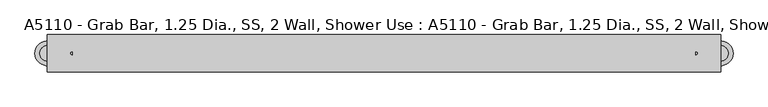
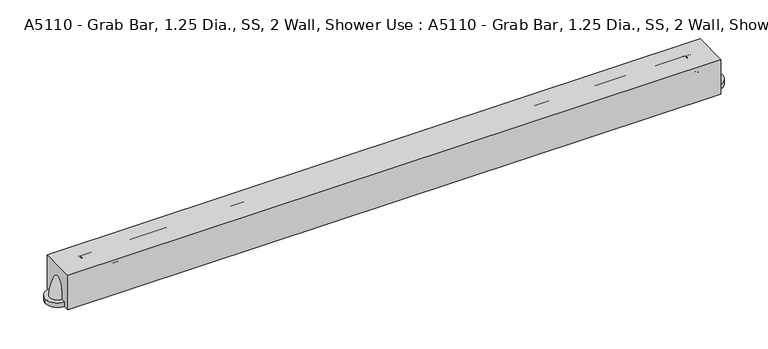
"""IFC4 building model written with IfcOpenShell, lengths in millimetres: proxy geometry, A5110 - Grab Bar, 1.25 Dia., SS, 2 Wall, Shower Use : A5110 - Grab Bar, 1.25 Dia., SS, 2 Wall, Shower Use."""

from ifc_helpers import new_model, si_unit, point, frame, frame_2d, origin, origin_with_axes, place, context, project, spatial, polyline, circle_curve, ellipse_curve, trimmed, segment, composite_curve, outline, extrude, source, transform, mapped, element, save
from ifc_brep_helpers import plane_surface, revolved_surface, advanced_brep


def a5110_grab_bar_1_25_dia_ss_2_wall_shower_use_a5110_grab_bar_b256876f(model_context):
    return source(origin(), model_context, "Body", "SolidModel", [
        advanced_brep(
        [(635.0, 15.875, 60.325), (635.0, -15.875, 60.325), (685.8, 15.875, 9.525), (685.8, -15.875, 9.525)],
        [
            (0, 1, circle_curve(frame((635.0, 0.0, 60.325), z_axis=(-1.0, 0.0, 0.0), x_axis=(0.0, -1.0, 0.0)), 15.875)),
            (1, 0, circle_curve(frame((635.0, 0.0, 60.325), z_axis=(-1.0, 0.0, 0.0), x_axis=(0.0, -1.0, 0.0)), 15.875)),
            (2, 3, circle_curve(frame((685.8, 0.0, 9.525), z_axis=(0.0, 0.0, -1.0), x_axis=(0.0, -1.0, 0.0)), 15.875)),
            (3, 2, circle_curve(frame((685.8, 0.0, 9.525), z_axis=(0.0, 0.0, -1.0), x_axis=(0.0, -1.0, 0.0)), 15.875)),
            (2, 0, circle_curve(frame((635.0, 15.875, 9.525), z_axis=(0.0, -1.0, 0.0), x_axis=(0.0, 0.0, 1.0)), 50.8)),
            (1, 3, circle_curve(frame((635.0, -15.875, 9.525), z_axis=(0.0, 1.0, 0.0), x_axis=(0.0, 0.0, 1.0)), 50.8)),
        ],
        [
            plane_surface(frame((635.0, 0.0, 60.325), z_axis=(-1.0, 0.0, 0.0), x_axis=(0.0, -1.0, 0.0))),
            plane_surface(frame((685.8, 0.0, 9.525), z_axis=(0.0, 0.0, -1.0), x_axis=(0.0, -1.0, 0.0))),
            revolved_surface(trimmed(ellipse_curve(frame((635.0, 0.0, 60.325), z_axis=(1.0, 0.0, 0.0), x_axis=(0.0, -1.0, 0.0)), 15.875, 15.875), [point((635.0, 15.875, 60.325))], [point((635.0, -15.875, 60.325))], True, "CARTESIAN"), (635.0, 0.0, 9.525), (0.0, -1.0, 0.0)),
            revolved_surface(trimmed(ellipse_curve(frame((635.0, 0.0, 60.325), z_axis=(1.0, 0.0, 0.0), x_axis=(0.0, -1.0, 0.0)), 15.875, 15.875), [point((635.0, -15.875, 60.325))], [point((635.0, 15.875, 60.325))], True, "CARTESIAN"), (635.0, 0.0, 9.525), (0.0, -1.0, 0.0)),
        ],
        [
            (0, [[1, 2]]),
            (1, [[3, 4]]),
            (2, [[-3, 5, -2, 6]]),
            (3, [[-4, -6, -1, -5]]),
        ],
    ),
        extrude(outline(composite_curve([segment(trimmed(circle_curve(frame_2d((685.8, 0.0)), 25.4), [point((711.2, 0.0))], [point((660.4, 0.0))], False, "CARTESIAN"), True, "CONTINUOUS"), segment(trimmed(circle_curve(frame_2d((685.8, 0.0)), 25.4), [point((660.4, 0.0))], [point((711.2, 0.0))], False, "CARTESIAN"), True, "CONTINUOUS")], self_intersect=False)), origin_with_axes(), (0.0, 0.0, 1.0), 9.525),
        advanced_brep(
        [(-635.0, 15.875, 60.325), (-635.0, -15.875, 60.325), (-685.8, 15.875, 9.525), (-685.8, -15.875, 9.525)],
        [
            (0, 1, circle_curve(frame((-635.0, 0.0, 60.325), z_axis=(1.0, 0.0, 0.0), x_axis=(0.0, -1.0, 0.0)), 15.875)),
            (1, 0, circle_curve(frame((-635.0, 0.0, 60.325), z_axis=(1.0, 0.0, 0.0), x_axis=(0.0, -1.0, 0.0)), 15.875)),
            (2, 3, circle_curve(frame((-685.8, 0.0, 9.525), z_axis=(0.0, 0.0, -1.0), x_axis=(0.0, -1.0, 0.0)), 15.875)),
            (3, 2, circle_curve(frame((-685.8, 0.0, 9.525), z_axis=(0.0, 0.0, -1.0), x_axis=(0.0, -1.0, 0.0)), 15.875)),
            (3, 1, circle_curve(frame((-635.0, -15.875, 9.525), z_axis=(0.0, 1.0, 0.0), x_axis=(0.0, 0.0, 1.0)), 50.8)),
            (0, 2, circle_curve(frame((-635.0, 15.875, 9.525), z_axis=(0.0, -1.0, 0.0), x_axis=(0.0, 0.0, 1.0)), 50.8)),
        ],
        [
            plane_surface(frame((-635.0, 0.0, 60.325), z_axis=(1.0, 0.0, 0.0), x_axis=(0.0, -1.0, 0.0))),
            plane_surface(frame((-685.8, 0.0, 9.525), z_axis=(0.0, 0.0, -1.0), x_axis=(0.0, -1.0, 0.0))),
            revolved_surface(trimmed(ellipse_curve(frame((-635.0, 0.0, 60.325), z_axis=(1.0, 0.0, 0.0), x_axis=(0.0, -1.0, 0.0)), 15.875, 15.875), [point((-635.0, 15.875, 60.325))], [point((-635.0, -15.875, 60.325))], True, "CARTESIAN"), (-635.0, 0.0, 9.525), (0.0, -1.0, 0.0)),
            revolved_surface(trimmed(ellipse_curve(frame((-635.0, 0.0, 60.325), z_axis=(1.0, 0.0, 0.0), x_axis=(0.0, -1.0, 0.0)), 15.875, 15.875), [point((-635.0, -15.875, 60.325))], [point((-635.0, 15.875, 60.325))], True, "CARTESIAN"), (-635.0, 0.0, 9.525), (0.0, -1.0, 0.0)),
        ],
        [
            (0, [[1, 2]]),
            (1, [[3, 4]]),
            (2, [[5, -1, 6, -4]]),
            (3, [[-6, -2, -5, -3]]),
        ],
    ),
        extrude(outline(composite_curve([segment(trimmed(circle_curve(frame_2d((-685.8, 0.0)), 25.4), [point((-711.2, 0.0))], [point((-660.4, 0.0))], False, "CARTESIAN"), True, "CONTINUOUS"), segment(trimmed(circle_curve(frame_2d((-685.8, 0.0)), 25.4), [point((-660.4, 0.0))], [point((-711.2, 0.0))], False, "CARTESIAN"), True, "CONTINUOUS")], self_intersect=False)), origin_with_axes(), (0.0, 0.0, 1.0), 9.525),
        extrude(outline(polyline([(685.8, -38.1), (-685.8, -38.1), (-685.8, 38.1), (685.8, 38.1), (685.8, -38.1)])), origin_with_axes(), (0.0, 0.0, 1.0), 76.2),
        extrude(outline(composite_curve([segment(trimmed(circle_curve(frame_2d((0.0, 60.325)), 15.875), [point((-15.875, 60.325))], [point((15.875, 60.325))], False, "CARTESIAN"), True, "CONTINUOUS"), segment(trimmed(circle_curve(frame_2d((0.0, 60.325)), 15.875), [point((15.875, 60.325))], [point((-15.875, 60.325))], False, "CARTESIAN"), True, "CONTINUOUS")], self_intersect=False)), frame((-635.0, 0.0, 0.0), z_axis=(1.0, 0.0, 0.0), x_axis=(0.0, 1.0, 0.0)), (0.0, 0.0, 1.0), 1270.0),
    ])


if __name__ == "__main__":
    model = new_model("IFC4")
    model_context = context("Model", 3, world=origin())
    ifc_project = project(units=[si_unit("LENGTHUNIT", "METRE", prefix="MILLI")], contexts=[model_context])
    site = spatial("IfcSite", under=ifc_project)
    building = spatial("IfcBuilding", under=site)
    placement = place(None, origin())
    a5110_grab_bar_1_25_dia_ss_2_wall_shower_use_a5110_grab_bar_shape = a5110_grab_bar_1_25_dia_ss_2_wall_shower_use_a5110_grab_bar_b256876f(model_context)
    element("IfcBuildingElementProxy", 1, Name="A5110 - Grab Bar, 1.25 Dia., SS, 2 Wall, Shower Use : A5110 - Grab Bar, 1.25 Dia., SS, 2 Wall, Shower Use", ObjectType="A5110 - Grab Bar, 1.25 Dia., SS, 2 Wall, Shower Use : A5110 - Grab Bar, 1.25 Dia., SS, 2 Wall, Shower Use", at=placement, inside=building, context=model_context, shape_type="MappedRepresentation", body=[
        mapped(a5110_grab_bar_1_25_dia_ss_2_wall_shower_use_a5110_grab_bar_shape, transform((0.0, 0.0, 0.0), x_axis=(1.0, 0.0, 0.0), y_axis=(0.0, 1.0, 0.0), z_axis=(0.0, 0.0, 1.0))),
    ])
    save(model, "model.ifc")
